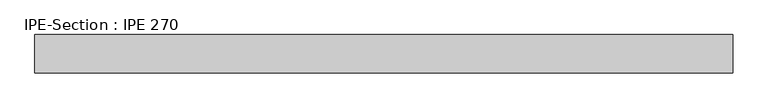
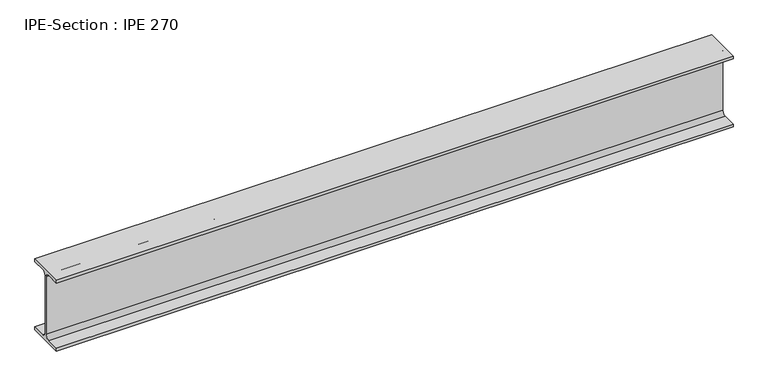
"""IFC4 building model written with IfcOpenShell, lengths in millimetres: beam geometry, IPE-Section : IPE 270."""

from ifc_helpers import new_model, si_unit, point, frame, frame_2d, origin, place, context, project, spatial, polyline, circle_curve, trimmed, segment, composite_curve, outline, extrude, source, transform, mapped, element, save


def ipe_section_ipe_270_d776e6d5(model_context):
    return source(origin(), model_context, "Body", "SweptSolid", [
        extrude(outline(composite_curve([segment(polyline([(-67.5, -124.8), (-18.3, -124.8)]), True, "CONTINUOUS"), segment(trimmed(circle_curve(frame_2d((-18.3, -109.8)), 15.0), [point((-18.3, -124.8))], [point((-3.3, -109.8))], True, "CARTESIAN"), True, "CONTINUOUS"), segment(polyline([(-3.3, -109.8), (-3.3, 109.8)]), True, "CONTINUOUS"), segment(trimmed(circle_curve(frame_2d((-18.3, 109.8)), 15.0), [point((-3.3, 109.8))], [point((-18.3, 124.8))], True, "CARTESIAN"), True, "CONTINUOUS"), segment(polyline([(-18.3, 124.8), (-67.5, 124.8), (-67.5, 135.0), (67.5, 135.0), (67.5, 124.8), (18.3, 124.8)]), True, "CONTINUOUS"), segment(trimmed(circle_curve(frame_2d((18.3, 109.8)), 15.0), [point((18.3, 124.8))], [point((3.3, 109.8))], True, "CARTESIAN"), True, "CONTINUOUS"), segment(polyline([(3.3, 109.8), (3.3, -109.8)]), True, "CONTINUOUS"), segment(trimmed(circle_curve(frame_2d((18.3, -109.8)), 15.0), [point((3.3, -109.8))], [point((18.3, -124.8))], True, "CARTESIAN"), True, "CONTINUOUS"), segment(polyline([(18.3, -124.8), (67.5, -124.8), (67.5, -135.0), (-67.5, -135.0), (-67.5, -124.8)]), True, "CONTINUOUS")], self_intersect=False)), frame((-1223.55, 0.0, 0.0), z_axis=(1.0, 0.0, 0.0), x_axis=(0.0, 1.0, 0.0)), (0.0, 0.0, 1.0), 2447.1),
    ])


if __name__ == "__main__":
    model = new_model("IFC4")
    model_context = context("Model", 3, world=origin())
    ifc_project = project(units=[si_unit("LENGTHUNIT", "METRE", prefix="MILLI")], contexts=[model_context])
    site = spatial("IfcSite", under=ifc_project)
    building = spatial("IfcBuilding", under=site)
    placement = place(None, origin())
    ipe_section_ipe_270_shape = ipe_section_ipe_270_d776e6d5(model_context)
    element("IfcBeam", 1, ObjectType="IPE-Section : IPE 270", at=placement, inside=building, context=model_context, shape_type="MappedRepresentation", body=[
        mapped(ipe_section_ipe_270_shape, transform((0.0, 0.0, 0.0), x_axis=(1.0, 0.0, 0.0), y_axis=(0.0, 1.0, 0.0), z_axis=(0.0, 0.0, 1.0))),
    ])
    save(model, "model.ifc")
